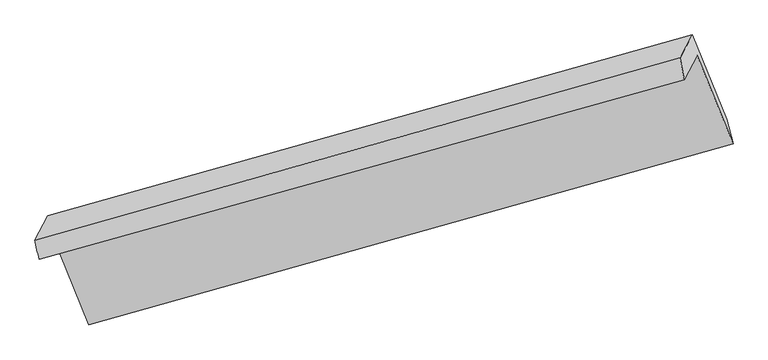
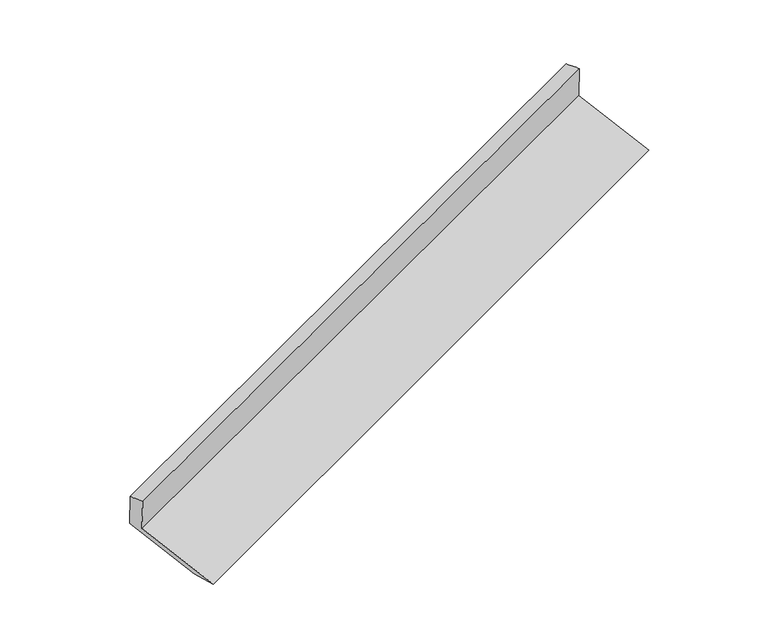
"""IFC4 building model written with IfcOpenShell, lengths in millimetres: proxy geometry."""

from ifc_helpers import new_model, si_unit, frame, origin, place, context, project, spatial, source, transform, mapped, element, save
from ifc_brep_helpers import plane_surface, spline_surface, advanced_brep


def generic_models_f88f5094(model_context):
    return source(origin(), model_context, "Body", "AdvancedBrep", [
        advanced_brep(
        [(-5197.6790117, -2104.4476851, 1458.1173367), (-5108.804329, -1937.8681334, 1083.725385), (-684.2956454, -706.0792653, 2682.0974654), (-773.1703281, -872.658817, 3056.4894171), (-5226.0387541, -1972.8117034, 1434.4312488), (-800.8770917, -724.2620624, 3018.0165069), (-5137.5457974, -1806.9476281, 1061.6473492), (-716.6232761, -566.3434923, 2663.0903404), (-4909.681908, -2367.0675985, 866.5224211), (-481.5870619, -1144.0939982, 2461.8235906), (-4858.42524, -2553.3334812, 869.3201895), (-437.5027188, -1312.7293454, 2470.7631808)],
        [
            (0, 1),
            (1, 2),
            (2, 3),
            (3, 0),
            (4, 0),
            (3, 5),
            (5, 4),
            (6, 4),
            (5, 7),
            (7, 6),
            (8, 6),
            (7, 9),
            (9, 8),
            (10, 8),
            (9, 11),
            (11, 10),
            (1, 10),
            (11, 2),
        ],
        [
            plane_surface(frame((-5153.2416704, -2021.1579093, 1270.9213609), z_axis=(0.3567460409811126, -0.8820495173351703, -0.3077676253492159), x_axis=(0.21195706162579173, 0.39727525567626015, -0.892886653083314))),
            spline_surface(1, 1, [[(-5226.0387541, -1972.8117034, 1434.4312488), (-800.8770917, -724.2620624, 3018.0165069)], [(-5197.6790117, -2104.4476851, 1458.1173367), (-773.1703281, -872.658817, 3056.4894171)]], [2, 2], [2, 2], [0.0, 1.0], [0.0, 1.0]),
            plane_surface(frame((-5181.7922757, -1889.8796658, 1248.039299), z_axis=(-0.35861624352078925, 0.8815267756409102, 0.30709108373767313), x_axis=(-0.21195706162581182, -0.3972752556762587, 0.89288665308331))),
            plane_surface(frame((-5023.6138527, -2087.0076133, 964.0848851), z_axis=(0.21195706162581265, 0.3972752556762578, -0.8928866530833103), x_axis=(-0.3586162435207868, 0.8815267756409112, 0.3070910837376729))),
            spline_surface(1, 1, [[(-4858.42524, -2553.3334812, 869.3201895), (-437.5027188, -1312.7293454, 2470.7631808)], [(-4909.681908, -2367.0675985, 866.5224211), (-481.5870619, -1144.0939982, 2461.8235906)]], [2, 2], [2, 2], [0.0, 1.0], [0.0, 1.0]),
            plane_surface(frame((-4983.6147845, -2245.6008073, 976.5227873), z_axis=(-0.2119570616258115, -0.39727525567626154, 0.8928866530833088), x_axis=(0.3586162435207863, -0.88152677564091, -0.3070910837376771))),
            plane_surface(frame((-649.0093537, -887.6944968, 2725.3800836), z_axis=(0.9091031811131185, 0.2551135336580613, 0.3293151849437038), x_axis=(-0.3586162435207868, 0.8815267756409112, 0.3070910837376729))),
            plane_surface(frame((-5073.0291734, -2123.7460383, 1128.9606551), z_axis=(-0.9091031811131386, -0.2551135336580326, -0.32931518494367074), x_axis=(-0.2119570616257901, -0.3972752556762565, 0.8928866530833162))),
        ],
        [
            (0, [[1, 2, 3, 4]]),
            (1, [[5, -4, 6, 7]]),
            (2, [[8, -7, 9, 10]]),
            (3, [[11, -10, 12, 13]]),
            (4, [[14, -13, 15, 16]]),
            (5, [[17, -16, 18, -2]]),
            (6, [[-12, -9, -6, -3, -18, -15]]),
            (7, [[-1, -5, -8, -11, -14, -17]]),
        ],
    ),
    ])


if __name__ == "__main__":
    model = new_model("IFC4")
    model_context = context("Model", 3, world=origin())
    ifc_project = project(units=[si_unit("LENGTHUNIT", "METRE", prefix="MILLI")], contexts=[model_context])
    site = spatial("IfcSite", under=ifc_project)
    building = spatial("IfcBuilding", under=site)
    placement = place(None, origin())
    generic_models_shape = generic_models_f88f5094(model_context)
    element("IfcBuildingElementProxy", 1, Name="Generic Models", at=placement, inside=building, context=model_context, shape_type="MappedRepresentation", body=[
        mapped(generic_models_shape, transform((0.0, 0.0, 0.0), x_axis=(1.0, 0.0, 0.0), y_axis=(0.0, 1.0, 0.0), z_axis=(0.0, 0.0, 1.0))),
    ])
    save(model, "model.ifc")
